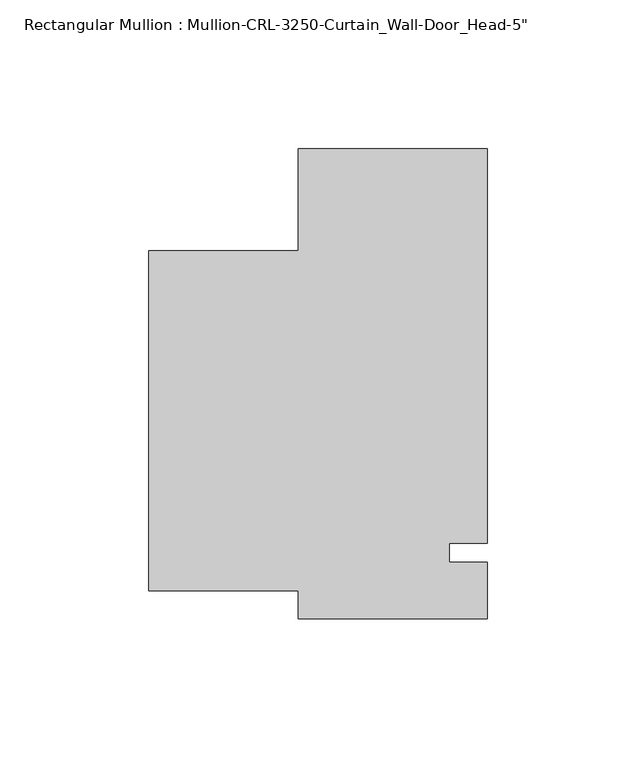
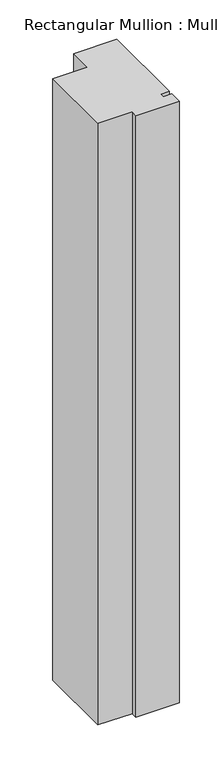
"""IFC4 building model written with IfcOpenShell, lengths in millimetres: member geometry."""

import ifcopenshell
import ifcopenshell.guid

model = None  # the IFC model being written
_history = None  # IfcOwnerHistory: only IFC2X3 demands one
_inside = {}  # id of a spatial element -> (the spatial element, [elements in it])
_under = {}  # id of a project, library or spatial element -> (it, [spatial elements below it])
_declared = {}  # id of a project -> (the project, [libraries it declares])
_typed = {}  # id of a type object -> (the type object, [elements of that type])
_made_of = {}  # id of a material, layer set ... -> (it, [elements and type objects made of it])


def new_model(schema):
    """Start an empty IFC model of exactly this schema.

    Asked for "IFC4X3", IfcOpenShell would pick the latest addendum, in which some entities
    have other attributes; the version numbers below select the first issue.
    IFC2X3 requires an IfcOwnerHistory on every rooted entity: one is made here for all.
    """
    global model, _history
    if schema == "IFC4X3":
        model = ifcopenshell.file(schema_version=(4, 3, 0, 0))
    else:
        model = ifcopenshell.file(schema=schema)
    _inside.clear()
    _under.clear()
    _declared.clear()
    _typed.clear()
    _made_of.clear()
    _history = None
    if model.schema == "IFC2X3":
        org = make("IfcOrganization", Name="unknown")
        user = make(
            "IfcPersonAndOrganization",
            ThePerson=make("IfcPerson", FamilyName="unknown"),
            TheOrganization=org,
        )
        app = make(
            "IfcApplication",
            ApplicationDeveloper=org,
            Version="unknown",
            ApplicationFullName="unknown",
            ApplicationIdentifier="unknown",
        )
        _history = make(
            "IfcOwnerHistory",
            OwningUser=user,
            OwningApplication=app,
            ChangeAction="ADDED",
            CreationDate=0,
        )
    return model


def make(cls, **values):
    """One entity of the class cls with the attributes given. An attribute that is None is left unset."""
    return model.create_entity(
        cls, **{name: value for name, value in values.items() if value is not None}
    )


def rooted(cls, **values):
    """An entity with a GlobalId (a new one), such as an element, a storey or a relation."""
    return make(cls, GlobalId=ifcopenshell.guid.new(), OwnerHistory=_history, **values)


def si_unit(unit_type, name, prefix=None):
    """IfcSIUnit, for example si_unit("LENGTHUNIT", "METRE", prefix="MILLI")."""
    return make("IfcSIUnit", UnitType=unit_type, Prefix=prefix, Name=name)


def assignment(units):
    """IfcUnitAssignment: the units of a project."""
    return None if units is None else make("IfcUnitAssignment", Units=units)


def point(xyz):
    """IfcCartesianPoint."""
    return None if xyz is None else make("IfcCartesianPoint", Coordinates=xyz)


def direction(xyz):
    """IfcDirection."""
    return None if xyz is None else make("IfcDirection", DirectionRatios=xyz)


def frame(location, z_axis=None, x_axis=None):
    """IfcAxis2Placement3D, a coordinate frame: its origin and axes. An axis left out is left unset."""
    return make(
        "IfcAxis2Placement3D",
        Location=point(location),
        Axis=direction(z_axis),
        RefDirection=direction(x_axis),
    )


def origin():
    """The frame at (0, 0, 0) with its axes left unset."""
    return frame((0.0, 0.0, 0.0))


def place(relative_to, where):
    """IfcLocalPlacement: puts the frame where relative to a parent placement (None: the world)."""
    return make(
        "IfcLocalPlacement", PlacementRelTo=relative_to, RelativePlacement=where
    )


def context(
    kind, dimensions, precision=None, world=None, true_north=None, identifier=None
):
    """IfcGeometricRepresentationContext, for example the 3D "Model" context."""
    return make(
        "IfcGeometricRepresentationContext",
        ContextIdentifier=identifier,
        ContextType=kind,
        CoordinateSpaceDimension=dimensions,
        Precision=precision,
        WorldCoordinateSystem=world,
        TrueNorth=true_north,
    )


def project(units=None, contexts=None):
    """IfcProject with its units and contexts."""
    return rooted(
        "IfcProject",
        Name="project",
        RepresentationContexts=contexts,
        UnitsInContext=assignment(units),
    )


def spatial(cls, under=None, at=None, **own):
    """A site, building, storey or space (cls), placed at a placement, below another one or the project."""
    s = rooted(cls, ObjectPlacement=at, **own)
    if under is not None:
        _under.setdefault(under.id(), (under, []))[1].append(s)
    return s


def polyline(points):
    """IfcPolyline through the points."""
    return make("IfcPolyline", Points=[point(p) for p in points])


def outline(outer, holes=None, kind="AREA"):
    """IfcArbitraryClosedProfileDef: a profile drawn as a closed curve; with holes, ...WithVoids."""
    if holes is None:
        return make("IfcArbitraryClosedProfileDef", ProfileType=kind, OuterCurve=outer)
    return make(
        "IfcArbitraryProfileDefWithVoids",
        ProfileType=kind,
        OuterCurve=outer,
        InnerCurves=holes,
    )


def extrude(swept, where, along, depth):
    """IfcExtrudedAreaSolid: the profile swept, set in the frame where, extruded along a direction by depth."""
    return make(
        "IfcExtrudedAreaSolid",
        SweptArea=swept,
        Position=where,
        ExtrudedDirection=direction(along),
        Depth=depth,
    )


def shape(context_of_items, identifier, shape_type, items):
    """IfcShapeRepresentation: the items that make up one representation, for example the "Body"."""
    return make(
        "IfcShapeRepresentation",
        ContextOfItems=context_of_items,
        RepresentationIdentifier=identifier,
        RepresentationType=shape_type,
        Items=items,
    )


def source(mapping_origin, context_of_items, identifier, shape_type, items):
    """IfcRepresentationMap: a shape defined once, which mapped items show again and again."""
    return make(
        "IfcRepresentationMap",
        MappingOrigin=mapping_origin,
        MappedRepresentation=shape(context_of_items, identifier, shape_type, items),
    )


def transform(
    local_origin,
    x_axis=None,
    y_axis=None,
    z_axis=None,
    scale=None,
    scale2=None,
    scale3=None,
    uniform=True,
):
    """IfcCartesianTransformationOperator3D, or its non-uniform kind. x_axis, y_axis, z_axis: its Axis1, 2, 3."""
    if uniform:
        return make(
            "IfcCartesianTransformationOperator3D",
            Axis1=direction(x_axis),
            Axis2=direction(y_axis),
            LocalOrigin=point(local_origin),
            Scale=scale,
            Axis3=direction(z_axis),
        )
    return make(
        "IfcCartesianTransformationOperator3DnonUniform",
        Axis1=direction(x_axis),
        Axis2=direction(y_axis),
        LocalOrigin=point(local_origin),
        Scale=scale,
        Axis3=direction(z_axis),
        Scale2=scale2,
        Scale3=scale3,
    )


def mapped(mapping_source, mapping_target):
    """IfcMappedItem: shows the shape of a source again, moved by a transform."""
    return make(
        "IfcMappedItem", MappingSource=mapping_source, MappingTarget=mapping_target
    )


def made_of(thing, what):
    """Note that an element or type object is made of a material, layer set ...; save() writes the relation."""
    if what is not None:
        _made_of.setdefault(what.id(), (what, []))[1].append(thing)
    return thing


def element(
    cls,
    number,
    at=None,
    inside=None,
    cuts=None,
    type_object=None,
    material=None,
    context=None,
    identifier="Body",
    shape_type=None,
    held_by="IfcProductDefinitionShape",
    body=None,
    shapes=None,
    **own,
):
    """One element of the class cls, such as IfcWall. Its Tag is "e" and its number.

    at: its placement. inside: the storey or other place that contains it. cuts: it is an
    opening in that element (IfcRelVoidsElement). A single representation is given by context,
    identifier, shape_type and body (its items); several are given by shapes. held_by: the class
    of the entity that holds the representations. save() writes the other relations.
    """
    e = rooted(cls, Tag="e%d" % number, ObjectPlacement=at, **own)
    if body is not None:
        shapes = [shape(context, identifier, shape_type, body)]
    if shapes is not None:
        e.Representation = make(held_by, Representations=shapes)
    if inside is not None:
        _inside.setdefault(inside.id(), (inside, []))[1].append(e)
    if cuts is not None:
        rooted(
            "IfcRelVoidsElement", RelatingBuildingElement=cuts, RelatedOpeningElement=e
        )
    if type_object is not None:
        _typed.setdefault(type_object.id(), (type_object, []))[1].append(e)
    return made_of(e, material)


def aggregate(whole, parts):
    """IfcRelAggregates: a whole, such as a stair, and the parts it consists of."""
    return rooted("IfcRelAggregates", RelatingObject=whole, RelatedObjects=parts)


def save(model, path):
    """Write the relations noted so far, then the file.

    IfcRelAggregates (storeys below a building ...), IfcRelContainedInSpatialStructure (elements
    in a storey), IfcRelDefinesByType, IfcRelAssociatesMaterial and IfcRelDeclares: one each for
    every whole, place, type object, material and project.
    """
    for whole, parts in _under.values():
        aggregate(whole, parts)
    for where, things in _inside.values():
        rooted(
            "IfcRelContainedInSpatialStructure",
            RelatedElements=things,
            RelatingStructure=where,
        )
    for kind, things in _typed.values():
        rooted("IfcRelDefinesByType", RelatedObjects=things, RelatingType=kind)
    for what, things in _made_of.values():
        rooted("IfcRelAssociatesMaterial", RelatedObjects=things, RelatingMaterial=what)
    for by, libraries in _declared.values():
        rooted("IfcRelDeclares", RelatingContext=by, RelatedDefinitions=libraries)
    model.write(path)


def member_5a854e7c(model_context):
    return source(origin(), model_context, "Body", "SweptSolid", [
        extrude(outline(polyline([(31.7499985, -3.175), (31.7499985, -22.2254168), (-31.7499985, -22.2254168), (-31.7499985, -12.7006825), (-82.1279058, -12.7006825), (-82.1279058, 101.5993175), (-31.7499985, 101.5993175), (-31.7499985, 136.0175661), (31.7499985, 136.0175661), (31.7499985, 3.175), (19.0499985, 3.175), (19.0499985, -3.175), (31.7499985, -3.175)])), frame((0.0, 0.0, -933.4410361), z_axis=(0.0, 0.0, 1.0), x_axis=(1.0, 0.0, 0.0)), (0.0, 0.0, 1.0), 933.4410361),
    ])


if __name__ == "__main__":
    model = new_model("IFC4")
    model_context = context("Model", 3, world=origin())
    ifc_project = project(units=[si_unit("LENGTHUNIT", "METRE", prefix="MILLI")], contexts=[model_context])
    site = spatial("IfcSite", under=ifc_project)
    building = spatial("IfcBuilding", under=site)
    placement = place(None, origin())
    member_shape = member_5a854e7c(model_context)
    element("IfcMember", 1, ObjectType="Rectangular Mullion : Mullion-CRL-3250-Curtain_Wall-Door_Head-5\"", at=placement, inside=building, context=model_context, shape_type="MappedRepresentation", body=[
        mapped(member_shape, transform((0.0, 0.0, 0.0), x_axis=(1.0, 0.0, 0.0), y_axis=(0.0, 1.0, 0.0), z_axis=(0.0, 0.0, 1.0))),
    ])
    save(model, "model.ifc")
